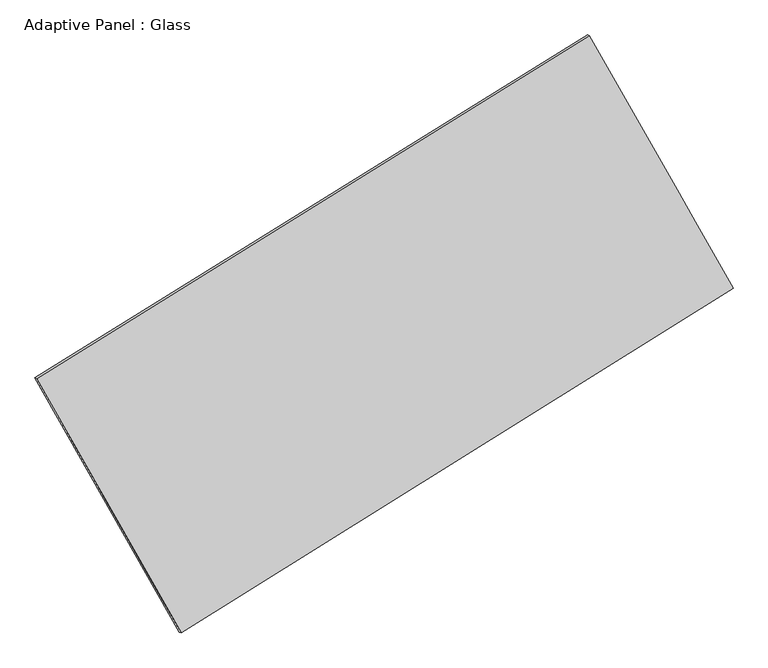
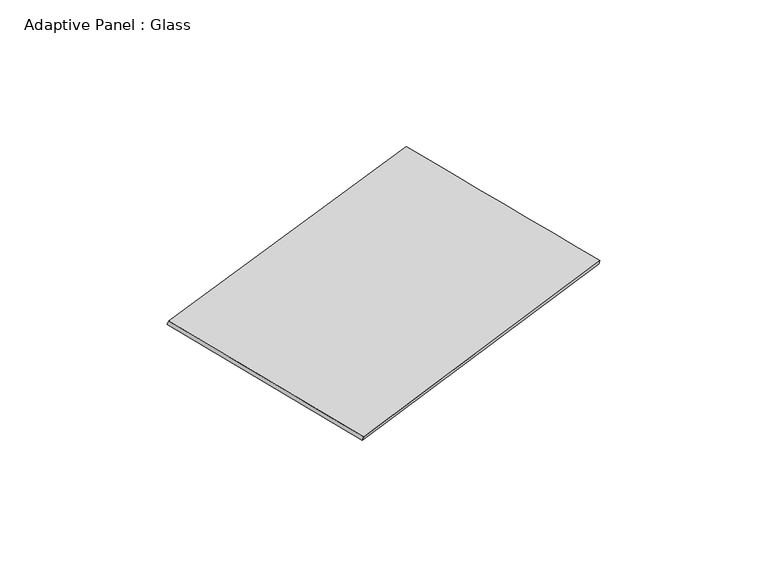
"""IFC4 building model written with IfcOpenShell, lengths in millimetres: plate geometry, Adaptive Panel : Glass."""

from ifc_helpers import new_model, si_unit, frame, origin, place, context, project, spatial, source, transform, mapped, element, save
from ifc_brep_helpers import plane_surface, spline_surface, advanced_brep


def adaptive_panel_glass_1b760ff6(model_context):
    return source(origin(), model_context, "Body", "AdvancedBrep", [
        advanced_brep(
        [(1163.3944905, 2548.8142303, 662.1793867), (-3745.9927976, -498.6757676, 1779.9886809), (-3731.3264417, -505.055861, 1827.3615889), (1178.0608463, 2542.4341369, 709.5522947), (-2462.4819821, -2755.6456568, 1070.3621956), (-2447.8156263, -2762.0257503, 1117.7351037), (2441.789711, 305.2586212, -27.407743), (2456.4560669, 298.8785278, 19.965165)],
        [
            (0, 1),
            (1, 2),
            (2, 3),
            (3, 0),
            (1, 4),
            (4, 5),
            (5, 2),
            (4, 6),
            (6, 7),
            (7, 5),
            (6, 0),
            (3, 7),
        ],
        [
            plane_surface(frame((-1291.2991535, 1025.0692314, 1221.0840338), z_axis=(-0.4663580665785293, 0.8460370890969262, 0.25832421026596847), x_axis=(-0.8341535881258454, -0.5177987735311302, 0.18992688473840405))),
            plane_surface(frame((-3104.2373898, -1627.1607122, 1425.1754383), z_axis=(-0.8281012055408068, -0.5291330896048223, 0.1851123087941968), x_axis=(0.47685226424372096, -0.8385135435401005, -0.2636417178396861))),
            plane_surface(frame((-10.3461355, -1225.1935178, 521.4772263), z_axis=(0.4690377370446267, -0.8443691597364626, -0.2589291859061002), x_axis=(0.8334367379317036, 0.5201730728374323, -0.18655609923190458))),
            plane_surface(frame((1802.5921008, 1427.0364258, 317.3858219), z_axis=(0.8282527014213747, 0.5288669536760784, -0.18519505365311506), x_axis=(-0.4783146373318903, 0.8394317111359939, 0.2580106781770084))),
            spline_surface(1, 1, [[(-3731.3264417, -505.055861, 1827.3615889), (1178.0608463, 2542.4341369, 709.5522947)], [(-2447.8156263, -2762.0257503, 1117.7351037), (2456.4560669, 298.8785278, 19.965165)]], [2, 2], [2, 2], [0.0, 1.0], [0.0, 1.0]),
            spline_surface(1, 1, [[(2441.789711, 305.2586212, -27.407743), (1163.3944905, 2548.8142303, 662.1793867)], [(-2462.4819821, -2755.6456568, 1070.3621956), (-3745.9927976, -498.6757676, 1779.9886809)]], [2, 2], [2, 2], [0.0, 1.0], [0.0, 1.0]),
        ],
        [
            (0, [[1, 2, 3, 4]]),
            (1, [[5, 6, 7, -2]]),
            (2, [[8, 9, 10, -6]]),
            (3, [[11, -4, 12, -9]]),
            (4, [[-3, -7, -10, -12]]),
            (5, [[-11, -8, -5, -1]]),
        ],
    ),
    ])


if __name__ == "__main__":
    model = new_model("IFC4")
    model_context = context("Model", 3, world=origin())
    ifc_project = project(units=[si_unit("LENGTHUNIT", "METRE", prefix="MILLI")], contexts=[model_context])
    site = spatial("IfcSite", under=ifc_project)
    building = spatial("IfcBuilding", under=site)
    placement = place(None, origin())
    adaptive_panel_glass_shape = adaptive_panel_glass_1b760ff6(model_context)
    element("IfcPlate", 1, ObjectType="Adaptive Panel : Glass", at=placement, inside=building, context=model_context, shape_type="MappedRepresentation", body=[
        mapped(adaptive_panel_glass_shape, transform((0.0, 0.0, 0.0), x_axis=(1.0, 0.0, 0.0), y_axis=(0.0, 1.0, 0.0), z_axis=(0.0, 0.0, 1.0))),
    ])
    save(model, "model.ifc")
